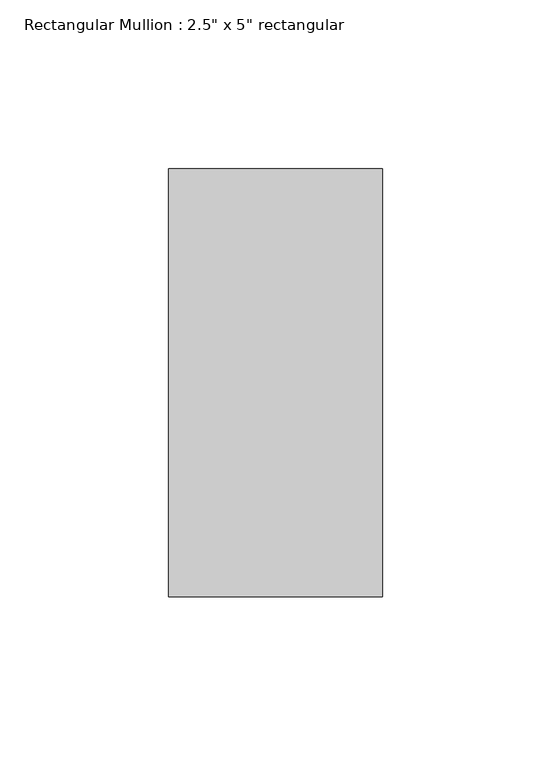
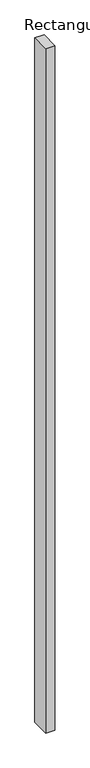
"""IFC4 building model written with IfcOpenShell, lengths in millimetres: member geometry."""

from ifc_helpers import new_model, si_unit, frame, origin, place, context, project, spatial, polyline, outline, extrude, source, transform, mapped, element, save


def member_6b54bd02(model_context):
    return source(origin(), model_context, "Body", "SweptSolid", [
        extrude(outline(polyline([(0.0, 63.5), (0.0, -63.5), (-63.5, -63.5), (-63.5, 63.5), (0.0, 63.5)])), frame((0.0, 0.0, -4955.55), z_axis=(0.0, 0.0, 1.0), x_axis=(1.0, 0.0, 0.0)), (0.0, 0.0, 1.0), 4955.55),
    ])


if __name__ == "__main__":
    model = new_model("IFC4")
    model_context = context("Model", 3, world=origin())
    ifc_project = project(units=[si_unit("LENGTHUNIT", "METRE", prefix="MILLI")], contexts=[model_context])
    site = spatial("IfcSite", under=ifc_project)
    building = spatial("IfcBuilding", under=site)
    placement = place(None, origin())
    member_shape = member_6b54bd02(model_context)
    element("IfcMember", 1, ObjectType="Rectangular Mullion : 2.5\" x 5\" rectangular", at=placement, inside=building, context=model_context, shape_type="MappedRepresentation", body=[
        mapped(member_shape, transform((0.0, 0.0, 0.0), x_axis=(1.0, 0.0, 0.0), y_axis=(0.0, 1.0, 0.0), z_axis=(0.0, 0.0, 1.0))),
    ])
    save(model, "model.ifc")
